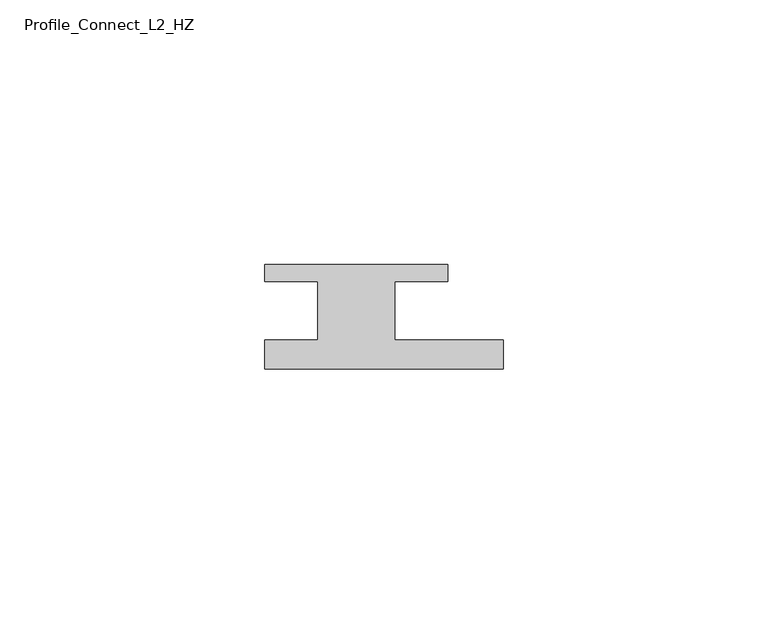
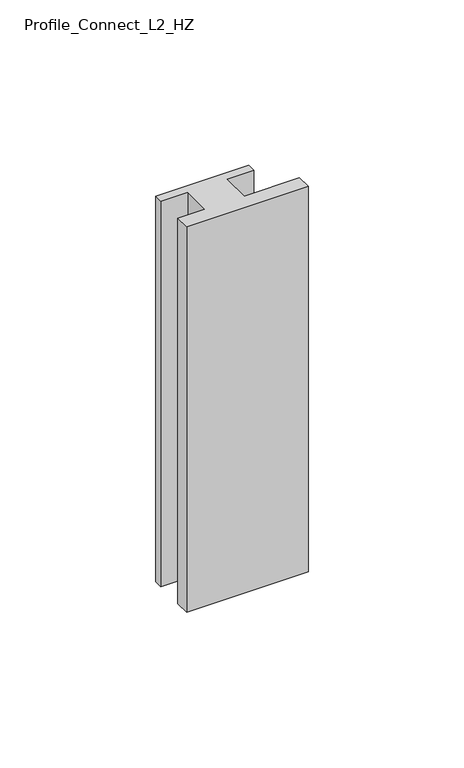
"""IFC4 building model written with IfcOpenShell, lengths in millimetres: member geometry, Profile_Connect_L2_HZ."""

from ifc_helpers import new_model, si_unit, frame, origin, place, context, project, spatial, polyline, outline, extrude, source, transform, mapped, element, save


def profile_connect_l2_hz_f0bba661(model_context):
    return source(origin(), model_context, "Body", "SweptSolid", [
        extrude(outline(polyline([(26.6, -5.5), (26.6, -11.0), (-18.4, -11.0), (-18.4, -5.5), (-8.4, -5.5), (-8.4, 5.5), (-18.4, 5.5), (-18.4, 8.7), (16.1, 8.7), (16.1, 5.5), (6.1, 5.5), (6.1, -5.5), (26.6, -5.5)])), frame((0.0, 0.0, -151.0), z_axis=(0.0, 0.0, 1.0), x_axis=(1.0, 0.0, 0.0)), (0.0, 0.0, 1.0), 151.0),
    ])


if __name__ == "__main__":
    model = new_model("IFC4")
    model_context = context("Model", 3, world=origin())
    ifc_project = project(units=[si_unit("LENGTHUNIT", "METRE", prefix="MILLI")], contexts=[model_context])
    site = spatial("IfcSite", under=ifc_project)
    building = spatial("IfcBuilding", under=site)
    placement = place(None, origin())
    profile_connect_l2_hz_shape = profile_connect_l2_hz_f0bba661(model_context)
    element("IfcMember", 1, ObjectType="Profile_Connect_L2_HZ", at=placement, inside=building, context=model_context, shape_type="MappedRepresentation", body=[
        mapped(profile_connect_l2_hz_shape, transform((0.0, 0.0, 0.0), x_axis=(1.0, 0.0, 0.0), y_axis=(0.0, 1.0, 0.0), z_axis=(0.0, 0.0, 1.0))),
    ])
    save(model, "model.ifc")
